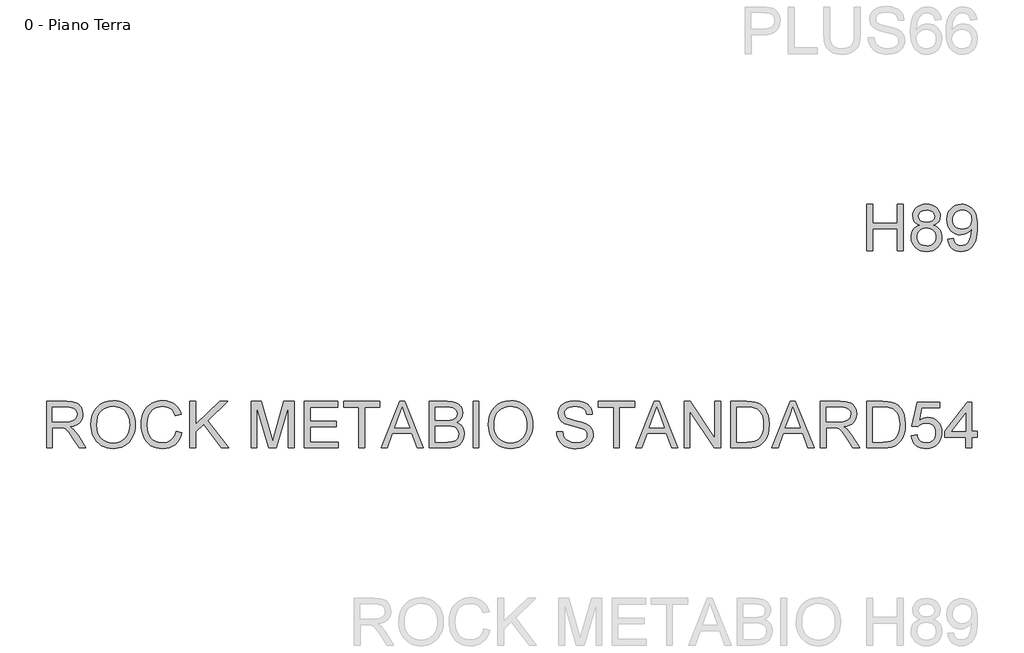
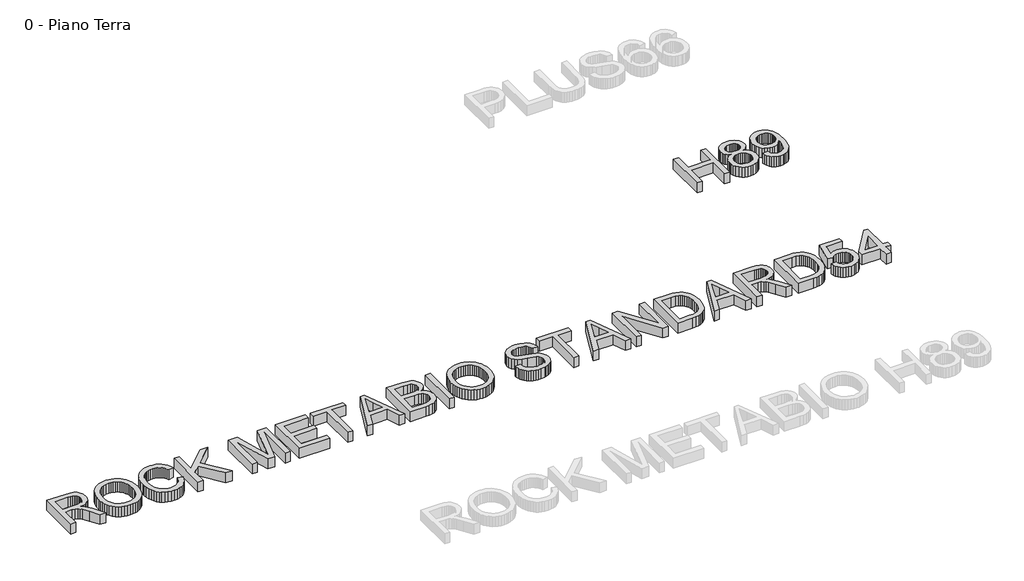
# One storey, part 9 of 17: 2 proxies.
"""IFC4 building model written with IfcOpenShell, lengths in millimetres."""

from ifc_helpers import new_model, si_unit, origin, origin_with_axes, place, context, project, spatial, polyline, outline, extrude, element, save

model = new_model("IFC4")

# Units and contexts
model_context = context("Model", 3, world=origin())
ifc_project = project(units=[si_unit("LENGTHUNIT", "METRE", prefix="MILLI")], contexts=[model_context])

# Site, building, storey
site = spatial("IfcSite", under=ifc_project)
building = spatial("IfcBuilding", under=site)
storey = spatial("IfcBuildingStorey", under=building, Name="0 - Piano Terra", Elevation=0.0)

# Proxies
placement = place(None, origin())
element("IfcBuildingElementProxy", 1, Name="Testo modello 1", ObjectType="Testo modello 1", at=placement, inside=storey, context=model_context, shape_type="SweptSolid", body=[
    extrude(outline(polyline([(-15795.0901649, -16535.9482618), (-15795.0901649, -15945.179031), (-15721.2440111, -15945.179031), (-15721.2440111, -16185.179031), (-15407.3978573, -16185.179031), (-15407.3978573, -15945.179031), (-15333.5517034, -15945.179031), (-15333.5517034, -16535.9482618), (-15407.3978573, -16535.9482618), (-15407.3978573, -16259.0251848), (-15721.2440111, -16259.0251848), (-15721.2440111, -16535.9482618), (-15795.0901649, -16535.9482618)])), origin_with_axes(), (0.0, 0.0, 1.0), 150.0),
    extrude(outline(polyline([(-15124.417088, -16210.5636464), (-15163.9543476, -16191.0924925), (-15179.3014029, -16178.7607618), (-15191.7007419, -16164.6982618), (-15208.088963, -16131.9218195), (-15213.5517034, -16093.304031), (-15210.5769438, -16063.1868435), (-15201.6526649, -16035.5756656), (-15186.7788669, -16010.4704973), (-15165.9555496, -15987.8713387), (-15140.183314, -15969.1934541), (-15110.4627611, -15955.8521079), (-15076.7938909, -15947.8473002), (-15039.1767034, -15945.179031), (-15001.3792274, -15947.9104012), (-14967.4579534, -15956.1045118), (-14937.4128813, -15969.7613627), (-14911.2440111, -15988.8809541), (-14890.042088, -16011.9218195), (-14874.8978573, -16037.3424925), (-14865.8113188, -16065.1429733), (-14862.7824726, -16095.3232618), (-14868.1730976, -16132.6970598), (-14884.3449726, -16164.9146079), (-14911.4783861, -16191.1465791), (-14949.7536265, -16210.5636464), (-14925.4822923, -16220.889668), (-14904.3029053, -16233.9831175), (-14886.2154654, -16249.8439949), (-14871.2199726, -16268.4723002), (-14859.4516433, -16289.4533699), (-14851.0456938, -16312.3725406), (-14846.0021241, -16337.2298122), (-14844.3209342, -16364.0251848), (-14847.6562707, -16400.8581175), (-14857.6622803, -16434.6261464), (-14874.338963, -16465.3292714), (-14897.6863188, -16492.9674925), (-14926.4783861, -16515.8100406), (-14959.4892034, -16532.1261464), (-14996.7187707, -16541.9158098), (-15038.167088, -16545.179031), (-15079.6154053, -16541.9022882), (-15116.8449726, -16532.0720598), (-15149.8557899, -16515.6883459), (-15178.6478573, -16492.7511464), (-15201.995213, -16464.9191151), (-15218.6718957, -16433.850906), (-15228.6779053, -16399.546519), (-15232.0132419, -16362.0059541), (-15230.2644438, -16333.9891271), (-15225.0180496, -16308.3521079), (-15216.2740592, -16285.0948964), (-15204.0324726, -16264.2174925), (-15188.5637226, -16246.0985021), (-15170.1382419, -16231.116531), (-15148.7560303, -16219.2715791), (-15124.417088, -16210.5636464)]), holes=[polyline([(-15139.7055496, -16095.4674925), (-15138.0694318, -16112.3965791), (-15133.1610784, -16127.7030695), (-15124.9804895, -16141.3869637), (-15113.5276649, -16153.4482618), (-15098.9468356, -16163.2920118), (-15081.3822323, -16170.3232618), (-15037.3017034, -16175.9482618), (-14994.2488188, -16170.3593195), (-14976.995213, -16163.3731416), (-14962.5901649, -16153.5924925), (-14951.2319919, -16141.7835983), (-14943.1190111, -16128.7126848), (-14938.2512226, -16114.3797521), (-14936.6286265, -16098.7848002), (-14938.3053092, -16082.5813747), (-14943.3353573, -16067.7210983), (-14951.7187707, -16054.2039709), (-14963.4555496, -16042.0299925), (-14978.1851169, -16031.9653892), (-14995.5468957, -16024.7763868), (-15015.5408861, -16020.4629853), (-15038.167088, -16019.0251848), (-15081.057713, -16024.6501848), (-15098.4330135, -16031.6814348), (-15113.0949726, -16041.5251848), (-15124.7371, -16053.3340791), (-15133.0529053, -16066.2607618), (-15138.0423885, -16080.3052329), (-15139.7055496, -16095.4674925)]), polyline([(-15158.167088, -16359.4098002), (-15155.0841553, -16387.6610021), (-15145.8353573, -16415.0107618), (-15128.7620399, -16438.8629252), (-15102.2055496, -16456.6213387), (-15070.4026649, -16467.6549925), (-15037.5901649, -16471.3328771), (-15010.8894438, -16469.3992834), (-14987.3257419, -16463.5985021), (-14966.8990592, -16453.9305334), (-14949.6093957, -16440.3953771), (-14935.8533861, -16423.8764469), (-14926.0276649, -16405.257156), (-14920.1322323, -16384.5375046), (-14918.167088, -16361.7174925), (-14920.1953332, -16338.5323964), (-14926.2800688, -16317.4386464), (-14936.4212948, -16298.4362425), (-14950.6190111, -16281.5251848), (-14968.3774246, -16267.6429733), (-14989.2007419, -16257.7271079), (-15013.088963, -16251.7775887), (-15040.042088, -16249.7944156), (-15066.3506818, -16251.7505454), (-15089.6033861, -16257.6189348), (-15109.800201, -16267.3995839), (-15126.9411265, -16281.0924925), (-15140.6024847, -16297.7241031), (-15150.3605976, -16316.3208579), (-15156.2154654, -16336.882757), (-15158.167088, -16359.4098002)])]), origin_with_axes(), (0.0, 0.0, 1.0), 150.0),
    extrude(outline(polyline([(-14770.4747803, -16388.2559541), (-14696.6286265, -16379.0251848), (-14684.0084342, -16420.9422521), (-14674.7235784, -16436.8842594), (-14663.4555496, -16449.4819156), (-14650.3305496, -16459.0417113), (-14635.4747803, -16465.8701368), (-14600.5709342, -16471.3328771), (-14569.2548284, -16467.8172521), (-14540.7872803, -16457.2703771), (-14517.1334342, -16440.8460983), (-14500.2584342, -16419.6982618), (-14487.4759823, -16391.897781), (-14476.0997803, -16355.5155695), (-14468.0949726, -16313.7607618), (-14465.4267034, -16269.8424925), (-14465.8593957, -16255.4194156), (-14491.4423284, -16286.6453771), (-14524.9218957, -16311.3809541), (-14563.8822323, -16327.4987425), (-14605.9074726, -16332.8713387), (-14640.9871, -16329.5900887), (-14673.245213, -16319.7463387), (-14702.6818116, -16303.3400887), (-14729.2968957, -16280.3713387), (-14751.3506818, -16252.039007), (-14767.1033861, -16219.5420118), (-14776.5550087, -16182.8803531), (-14779.7055496, -16142.054031), (-14776.4017635, -16099.866531), (-14766.4904053, -16062.0059541), (-14749.971475, -16028.4723002), (-14726.8449726, -15999.2655695), (-14698.7425087, -15975.6027089), (-14667.2956938, -15958.7006656), (-14632.5045279, -15948.5594396), (-14594.3690111, -15945.179031), (-14566.2124606, -15947.1081175), (-14539.2908861, -15952.8953771), (-14513.6042875, -15962.5408098), (-14489.1526649, -15976.0444156), (-14466.7518236, -15993.1177329), (-14447.2175688, -16013.4723002), (-14430.5499005, -16037.1081175), (-14416.7488188, -16064.0251848), (-14405.9270039, -16095.7739829), (-14398.1971361, -16133.9049925), (-14393.5592154, -16178.4182137), (-14392.0132419, -16229.3136464), (-14393.5547082, -16282.764668), (-14398.1791073, -16330.4735021), (-14405.886439, -16372.4401488), (-14416.6767034, -16408.6646079), (-14430.5093356, -16440.030293), (-14447.3437707, -16467.4206175), (-14467.1800087, -16490.8355815), (-14490.0180496, -16510.2751848), (-14515.3981577, -16525.5456175), (-14542.8605976, -16536.4530695), (-14572.4053693, -16542.9975406), (-14604.0324726, -16545.179031), (-14637.1965351, -16542.6054132), (-14667.1694919, -16534.8845598), (-14693.9513428, -16522.0164709), (-14717.542088, -16504.0011464), (-14737.3467755, -16481.3253651), (-14752.7704534, -16454.475906), (-14763.8131217, -16423.452769), (-14770.4747803, -16388.2559541)]), holes=[polyline([(-14465.8593957, -16140.3232618), (-14467.8515832, -16113.8569156), (-14473.8281457, -16090.2751848), (-14483.7890832, -16069.5780695), (-14497.7343957, -16051.7655695), (-14514.9789871, -16037.4416512), (-14534.8377611, -16027.210281), (-14557.3107178, -16021.0714589), (-14582.3978573, -16019.0251848), (-14608.2872803, -16021.2292113), (-14631.7247803, -16027.8412906), (-14652.7103573, -16038.8614228), (-14671.2440111, -16054.2896079), (-14686.3882419, -16073.2244036), (-14697.2055496, -16094.7643675), (-14703.6959342, -16118.9094997), (-14705.8593957, -16145.6598002), (-14703.8131217, -16169.6516872), (-14697.6742996, -16191.2908098), (-14687.4429294, -16210.577168), (-14673.1190111, -16227.5107618), (-14655.2974967, -16241.2983219), (-14634.573338, -16251.1465791), (-14610.9465351, -16257.0555334), (-14584.417088, -16259.0251848), (-14559.6770039, -16257.0555334), (-14537.2355976, -16251.1465791), (-14517.0928693, -16241.2983219), (-14499.2488188, -16227.5107618), (-14484.6409462, -16210.2436344), (-14474.2067515, -16189.9566752), (-14467.9462347, -16166.6498844), (-14465.8593957, -16140.3232618)])]), origin_with_axes(), (0.0, 0.0, 1.0), 150.0),
])
element("IfcBuildingElementProxy", 2, Name="Testo modello 1", ObjectType="Testo modello 1", at=placement, inside=storey, context=model_context, shape_type="SweptSolid", body=[
    extrude(outline(polyline([(-26198.167088, -19035.9482618), (-26198.167088, -18445.179031), (-25943.5997803, -18445.179031), (-25875.1803092, -18449.163406), (-25825.4026649, -18461.116531), (-25806.1929294, -18470.6177329), (-25789.0204534, -18483.1838387), (-25773.8852371, -18498.8148483), (-25760.7872803, -18517.5107618), (-25750.2178693, -18538.2664709), (-25742.6682899, -18560.0768675), (-25736.6286265, -18606.8617233), (-25739.1301289, -18637.2042714), (-25746.6346361, -18665.0588387), (-25759.1421481, -18690.4254252), (-25776.6526649, -18713.304031), (-25799.3915472, -18732.9644877), (-25827.5841553, -18748.6766271), (-25861.2304895, -18760.4404493), (-25900.3305496, -18768.2559541), (-25875.9916073, -18784.1573964), (-25858.3593957, -18799.8424925), (-25798.5036265, -18875.8521079), (-25699.9940111, -19035.9482618), (-25785.8113188, -19035.9482618), (-25862.6863188, -18913.4963387), (-25918.2151649, -18832.4386464), (-25938.8581938, -18808.8028291), (-25957.229588, -18794.1453771), (-25992.3497803, -18780.0828771), (-26035.1863188, -18777.4867233), (-26124.3209342, -18777.4867233), (-26124.3209342, -19035.9482618), (-26198.167088, -19035.9482618)]), holes=[polyline([(-26124.3209342, -18703.6405695), (-25959.0324726, -18703.6405695), (-25911.5625207, -18701.0263868), (-25874.729588, -18693.1838387), (-25847.0012226, -18679.5900887), (-25826.8449726, -18659.7223002), (-25814.5673284, -18635.6898483), (-25810.4747803, -18609.6021079), (-25812.4264029, -18590.7168916), (-25818.2812707, -18573.5804733), (-25828.0393837, -18558.1928531), (-25841.7007419, -18544.554031), (-25859.58085, -18533.3851608), (-25881.995213, -18525.4073964), (-25908.9438308, -18520.6207377), (-25940.4267034, -18519.0251848), (-26124.3209342, -18519.0251848), (-26124.3209342, -18703.6405695)])]), origin_with_axes(), (0.0, 0.0, 1.0), 150.0),
    extrude(outline(polyline([(-25635.0901649, -18748.3521079), (-25630.1682899, -18679.0582377), (-25615.4026649, -18617.7150887), (-25590.7932899, -18564.3226608), (-25556.3401649, -18518.8809541), (-25514.1075928, -18482.5979012), (-25466.1598765, -18456.6814348), (-25412.4970159, -18441.131555), (-25353.1190111, -18435.9482618), (-25313.3744198, -18438.382156), (-25275.6310303, -18445.6838387), (-25239.8888428, -18457.8533098), (-25206.1478573, -18474.8905695), (-25175.354588, -18496.2817954), (-25148.4555496, -18521.5131656), (-25125.4507419, -18550.58468), (-25106.3401649, -18583.4963387), (-25091.3221361, -18619.4999445), (-25080.5949726, -18657.8473002), (-25074.1586746, -18698.538406), (-25072.0132419, -18741.5732618), (-25074.2713548, -18785.1760262), (-25081.0456938, -18826.4170118), (-25092.3362587, -18865.2962185), (-25108.1430496, -18901.8136464), (-25128.0919678, -18935.0047521), (-25151.8089149, -18963.9049925), (-25179.2938909, -18988.5143675), (-25210.5468957, -19008.8328771), (-25244.3374606, -19024.7343195), (-25279.4351169, -19036.0924925), (-25315.8398645, -19042.9073964), (-25353.5517034, -19045.179031), (-25393.9904053, -19042.6685142), (-25432.229588, -19035.1369637), (-25468.2692515, -19022.5843796), (-25502.1093957, -19005.0107618), (-25532.8666073, -18983.0966993), (-25559.6574726, -18957.522781), (-25582.4819919, -18928.289007), (-25601.3401649, -18895.3953771), (-25616.1057899, -18860.1625046), (-25626.6526649, -18823.9110021), (-25632.9807899, -18786.6408699), (-25635.0901649, -18748.3521079)]), holes=[polyline([(-25561.2440111, -18749.0732618), (-25557.5526048, -18798.0305935), (-25546.4783861, -18841.4891271), (-25528.0213548, -18879.4488627), (-25502.1815111, -18911.9098002), (-25470.7707539, -18937.9073964), (-25435.6009823, -18956.4771079), (-25396.6721962, -18967.6189348), (-25353.9843957, -18971.3328771), (-25310.566427, -18967.5828771), (-25271.1779053, -18956.3328771), (-25235.8188308, -18937.5828771), (-25204.4892034, -18911.3328771), (-25178.8386625, -18878.1868435), (-25160.5168476, -18838.7487425), (-25149.5237587, -18793.0185743), (-25145.8593957, -18740.9963387), (-25147.4279053, -18707.2012666), (-25152.1334342, -18675.6237425), (-25159.9759823, -18646.2637666), (-25170.9555496, -18619.1213387), (-25184.9504414, -18594.5525286), (-25201.838963, -18572.913406), (-25221.6211145, -18554.2039709), (-25244.2968957, -18538.4242233), (-25269.1631818, -18525.8986824), (-25295.5168476, -18516.9518675), (-25323.3578933, -18511.5837786), (-25352.6863188, -18509.7944156), (-25393.8912467, -18513.2424324), (-25432.1214149, -18523.5864829), (-25467.3768236, -18540.8265671), (-25499.6574726, -18564.9626848), (-25526.6015832, -18597.1576969), (-25545.8473765, -18638.5744637), (-25557.3948524, -18689.2129853), (-25561.2440111, -18749.0732618)])]), origin_with_axes(), (0.0, 0.0, 1.0), 150.0),
    extrude(outline(polyline([(-24555.0901649, -18825.9482618), (-24481.2440111, -18844.9867233), (-24495.8563909, -18890.9107017), (-24515.3185303, -18931.038406), (-24539.6304294, -18965.3698363), (-24568.792088, -18993.9049925), (-24602.1454534, -19016.3373844), (-24639.0324726, -19032.3605214), (-24679.4531457, -19041.9744036), (-24723.4074726, -19045.179031), (-24768.4390231, -19042.7541512), (-24809.0625207, -19035.4795118), (-24845.2779654, -19023.3551127), (-24877.0853573, -19006.3809541), (-24904.9218957, -18984.8094396), (-24929.2247803, -18958.8929733), (-24949.9940111, -18928.631555), (-24967.229588, -18894.0251848), (-24980.7647443, -18856.570257), (-24990.432713, -18817.7631656), (-24996.2334943, -18777.6039108), (-24998.167088, -18736.0924925), (-24995.9810904, -18691.5522281), (-24989.4230976, -18649.9506656), (-24978.4931097, -18611.287805), (-24963.1911265, -18575.5636464), (-24943.8596962, -18543.3686344), (-24920.8413669, -18515.2932137), (-24894.1361385, -18491.3373844), (-24863.7440111, -18471.5011464), (-24830.6971361, -18455.9467594), (-24796.0276649, -18444.8364829), (-24759.7355976, -18438.1703171), (-24721.8209342, -18435.9482618), (-24679.5838548, -18438.8238627), (-24640.8533861, -18447.4506656), (-24605.6295279, -18461.8286704), (-24573.9122803, -18481.9578771), (-24546.2244798, -18507.3064348), (-24523.088963, -18537.3424925), (-24504.5057298, -18572.0660502), (-24490.4747803, -18611.4771079), (-24564.3209342, -18629.0732618), (-24575.9495399, -18600.0332978), (-24589.9218957, -18575.2210983), (-24606.2380015, -18554.6366632), (-24624.8978573, -18538.2799925), (-24646.0096361, -18525.8175526), (-24669.6815111, -18516.9158098), (-24695.9134823, -18511.5747642), (-24724.7055496, -18509.7944156), (-24757.8335544, -18511.7685743), (-24788.1310303, -18517.6910502), (-24815.5979774, -18527.5618435), (-24840.2343957, -18541.3809541), (-24861.7292875, -18558.5263868), (-24879.7716553, -18578.3761464), (-24894.3614991, -18600.9302329), (-24905.4988188, -18626.1886464), (-24919.6154053, -18680.2391271), (-24924.3209342, -18735.9482618), (-24918.7500207, -18804.1694156), (-24911.7863789, -18834.8184541), (-24902.0372803, -18863.1598002), (-24889.3449726, -18888.6300526), (-24873.5517034, -18910.6658098), (-24854.6574726, -18929.2670719), (-24832.6622803, -18944.4338387), (-24808.6343356, -18956.202168), (-24783.6418476, -18964.6081175), (-24757.6848164, -18969.6516872), (-24730.7632419, -18971.3328771), (-24698.6583741, -18969.0432137), (-24669.1226169, -18962.1742233), (-24642.1559702, -18950.725906), (-24617.7584342, -18934.6982618), (-24596.5069318, -18914.163406), (-24578.9783861, -18889.1934541), (-24565.1727972, -18859.788406), (-24555.0901649, -18825.9482618)])), origin_with_axes(), (0.0, 0.0, 1.0), 150.0),
    extrude(outline(polyline([(-24379.7055496, -19035.9482618), (-24379.7055496, -18445.179031), (-24305.8593957, -18445.179031), (-24305.8593957, -18734.3617233), (-24002.9747803, -18445.179031), (-23899.7055496, -18445.179031), (-24153.9843957, -18688.0636464), (-23890.4747803, -19035.9482618), (-23980.7632419, -19035.9482618), (-24206.3401649, -18737.9674925), (-24305.8593957, -18832.8713387), (-24305.8593957, -19035.9482618), (-24379.7055496, -19035.9482618)])), origin_with_axes(), (0.0, 0.0, 1.0), 150.0),
    extrude(outline(polyline([(-23604.3209342, -19035.9482618), (-23604.3209342, -18445.179031), (-23477.2536265, -18445.179031), (-23356.3882419, -18861.5732618), (-23332.0132419, -18948.5444156), (-23305.6190111, -18854.3617233), (-23186.7728573, -18445.179031), (-23059.7055496, -18445.179031), (-23059.7055496, -19035.9482618), (-23133.5517034, -19035.9482618), (-23133.5517034, -18519.0251848), (-23281.9651649, -19035.9482618), (-23382.0613188, -19035.9482618), (-23530.4747803, -18519.0251848), (-23530.4747803, -19035.9482618), (-23604.3209342, -19035.9482618)])), origin_with_axes(), (0.0, 0.0, 1.0), 150.0),
    extrude(outline(polyline([(-22930.4747803, -19035.9482618), (-22930.4747803, -18445.179031), (-22505.8593957, -18445.179031), (-22505.8593957, -18519.0251848), (-22856.6286265, -18519.0251848), (-22856.6286265, -18694.4098002), (-22524.3209342, -18694.4098002), (-22524.3209342, -18768.2559541), (-22856.6286265, -18768.2559541), (-22856.6286265, -18962.1021079), (-22496.6286265, -18962.1021079), (-22496.6286265, -19035.9482618), (-22930.4747803, -19035.9482618)])), origin_with_axes(), (0.0, 0.0, 1.0), 150.0),
    extrude(outline(polyline([(-22238.167088, -19035.9482618), (-22238.167088, -18519.0251848), (-22432.0132419, -18519.0251848), (-22432.0132419, -18445.179031), (-21970.4747803, -18445.179031), (-21970.4747803, -18519.0251848), (-22164.3209342, -18519.0251848), (-22164.3209342, -19035.9482618), (-22238.167088, -19035.9482618)])), origin_with_axes(), (0.0, 0.0, 1.0), 150.0),
    extrude(outline(polyline([(-21956.1959342, -19035.9482618), (-21720.3786265, -18445.179031), (-21657.4940111, -18445.179031), (-21421.6767034, -19035.9482618), (-21499.7055496, -19035.9482618), (-21567.3497803, -18851.3328771), (-21810.667088, -18851.3328771), (-21878.167088, -19035.9482618), (-21956.1959342, -19035.9482618)]), holes=[polyline([(-21783.5517034, -18777.4867233), (-21594.3209342, -18777.4867233), (-21647.542088, -18632.2463387), (-21688.9363188, -18519.0251848), (-21725.7151649, -18619.554031), (-21783.5517034, -18777.4867233)])]), origin_with_axes(), (0.0, 0.0, 1.0), 150.0),
    extrude(outline(polyline([(-21342.7824726, -19035.9482618), (-21342.7824726, -18445.179031), (-21117.3497803, -18445.179031), (-21055.3485784, -18449.5239829), (-21006.9411265, -18462.5588387), (-20969.8377611, -18484.6081175), (-20954.6664871, -18499.1348603), (-20941.7488188, -18515.9963387), (-20924.0625207, -18552.9194156), (-20918.167088, -18591.5732618), (-20923.1250207, -18627.1441752), (-20937.9988188, -18660.5876848), (-20962.8966553, -18689.8485021), (-20997.9267034, -18712.8713387), (-20975.6385423, -18722.3725406), (-20956.0817515, -18734.7223002), (-20939.2563308, -18749.9206175), (-20925.1622803, -18767.9674925), (-20914.0249606, -18788.3130454), (-20906.0697323, -18810.4073964), (-20901.2965952, -18834.2505454), (-20899.7055496, -18859.8424925), (-20904.0505015, -18901.038406), (-20917.0853573, -18939.241531), (-20936.5384823, -18971.7295118), (-20960.1382419, -18995.7799925), (-20989.0384823, -19013.1958579), (-21024.3930496, -19025.7799925), (-21067.3557899, -19033.4061945), (-21119.0805496, -19035.9482618), (-21342.7824726, -19035.9482618)]), holes=[polyline([(-21268.9363188, -18962.1021079), (-21117.4940111, -18962.1021079), (-21062.6863188, -18959.2174925), (-21037.2476169, -18952.8172521), (-21016.3161265, -18943.1357618), (-20999.2968957, -18929.2715791), (-20985.5949726, -18910.3232618), (-20976.5625207, -18887.1381656), (-20973.5517034, -18860.5636464), (-20977.0853573, -18829.6982618), (-20987.6863188, -18803.1598002), (-21006.2019438, -18782.4085983), (-21033.479588, -18768.9049925), (-21072.1154053, -18761.4951368), (-21124.7055496, -18759.0251848), (-21268.9363188, -18759.0251848), (-21268.9363188, -18962.1021079)]), polyline([(-21268.9363188, -18685.179031), (-21134.0805496, -18685.179031), (-21086.917088, -18683.5924925), (-21055.3305496, -18678.8328771), (-21027.7644438, -18667.8893675), (-21007.9507419, -18651.5011464), (-20995.9976169, -18629.9206175), (-20992.0132419, -18603.4001848), (-20995.7271842, -18577.6549925), (-21006.8690111, -18555.2271079), (-21024.9339149, -18537.7210983), (-21049.417088, -18526.741531), (-21086.9892034, -18520.9542714), (-21144.3209342, -18519.0251848), (-21268.9363188, -18519.0251848), (-21268.9363188, -18685.179031)])]), origin_with_axes(), (0.0, 0.0, 1.0), 150.0),
    extrude(outline(polyline([(-20788.9363188, -19035.9482618), (-20788.9363188, -18445.179031), (-20715.0901649, -18445.179031), (-20715.0901649, -19035.9482618), (-20788.9363188, -19035.9482618)])), origin_with_axes(), (0.0, 0.0, 1.0), 150.0),
    extrude(outline(polyline([(-20595.0901649, -18748.3521079), (-20590.1682899, -18679.0582377), (-20575.4026649, -18617.7150887), (-20550.7932899, -18564.3226608), (-20516.3401649, -18518.8809541), (-20474.1075928, -18482.5979012), (-20426.1598765, -18456.6814348), (-20372.4970159, -18441.131555), (-20313.1190111, -18435.9482618), (-20273.3744198, -18438.382156), (-20235.6310303, -18445.6838387), (-20199.8888428, -18457.8533098), (-20166.1478573, -18474.8905695), (-20135.354588, -18496.2817954), (-20108.4555496, -18521.5131656), (-20085.4507419, -18550.58468), (-20066.3401649, -18583.4963387), (-20051.3221361, -18619.4999445), (-20040.5949726, -18657.8473002), (-20034.1586746, -18698.538406), (-20032.0132419, -18741.5732618), (-20034.2713548, -18785.1760262), (-20041.0456938, -18826.4170118), (-20052.3362587, -18865.2962185), (-20068.1430496, -18901.8136464), (-20088.0919678, -18935.0047521), (-20111.8089149, -18963.9049925), (-20139.2938909, -18988.5143675), (-20170.5468957, -19008.8328771), (-20204.3374606, -19024.7343195), (-20239.4351169, -19036.0924925), (-20275.8398645, -19042.9073964), (-20313.5517034, -19045.179031), (-20353.9904053, -19042.6685142), (-20392.229588, -19035.1369637), (-20428.2692515, -19022.5843796), (-20462.1093957, -19005.0107618), (-20492.8666073, -18983.0966993), (-20519.6574726, -18957.522781), (-20542.4819919, -18928.289007), (-20561.3401649, -18895.3953771), (-20576.1057899, -18860.1625046), (-20586.6526649, -18823.9110021), (-20592.9807899, -18786.6408699), (-20595.0901649, -18748.3521079)]), holes=[polyline([(-20521.2440111, -18749.0732618), (-20517.5526048, -18798.0305935), (-20506.4783861, -18841.4891271), (-20488.0213548, -18879.4488627), (-20462.1815111, -18911.9098002), (-20430.7707539, -18937.9073964), (-20395.6009823, -18956.4771079), (-20356.6721962, -18967.6189348), (-20313.9843957, -18971.3328771), (-20270.566427, -18967.5828771), (-20231.1779053, -18956.3328771), (-20195.8188308, -18937.5828771), (-20164.4892034, -18911.3328771), (-20138.8386625, -18878.1868435), (-20120.5168476, -18838.7487425), (-20109.5237587, -18793.0185743), (-20105.8593957, -18740.9963387), (-20107.4279053, -18707.2012666), (-20112.1334342, -18675.6237425), (-20119.9759823, -18646.2637666), (-20130.9555496, -18619.1213387), (-20144.9504414, -18594.5525286), (-20161.838963, -18572.913406), (-20181.6211145, -18554.2039709), (-20204.2968957, -18538.4242233), (-20229.1631818, -18525.8986824), (-20255.5168476, -18516.9518675), (-20283.3578933, -18511.5837786), (-20312.6863188, -18509.7944156), (-20353.8912467, -18513.2424324), (-20392.1214149, -18523.5864829), (-20427.3768236, -18540.8265671), (-20459.6574726, -18564.9626848), (-20486.6015832, -18597.1576969), (-20505.8473765, -18638.5744637), (-20517.3948524, -18689.2129853), (-20521.2440111, -18749.0732618)])]), origin_with_axes(), (0.0, 0.0, 1.0), 150.0),
    extrude(outline(polyline([(-19727.3978573, -18832.8713387), (-19653.5517034, -18832.8713387), (-19645.0781457, -18873.850906), (-19629.7536265, -18906.7896079), (-19605.8473765, -18932.9314348), (-19571.6286265, -18953.5203771), (-19529.8017034, -18966.8797521), (-19483.0709342, -18971.3328771), (-19441.9291073, -18967.9614829), (-19405.9074726, -18957.8473002), (-19376.7187707, -18941.8376848), (-19356.0757419, -18920.7799925), (-19343.7980976, -18896.6033098), (-19339.7055496, -18871.2367233), (-19342.7704534, -18846.5191752), (-19351.9651649, -18825.1549925), (-19370.6430496, -18806.9278291), (-19402.1574726, -18791.6213387), (-19509.6815111, -18763.4242233), (-19580.2644438, -18744.7643675), (-19625.4267034, -18727.0059541), (-19662.1875207, -18702.1622041), (-19688.2392034, -18672.054031), (-19703.7620399, -18637.3304733), (-19708.9363188, -18598.6405695), (-19707.3362587, -18576.6498844), (-19702.5360784, -18555.3893675), (-19694.5357779, -18534.859019), (-19683.3353573, -18515.0588387), (-19669.0610183, -18496.7956175), (-19651.838963, -18480.8761464), (-19631.6691914, -18467.3004252), (-19608.5517034, -18456.0684541), (-19556.5925688, -18440.9783098), (-19499.0805496, -18435.9482618), (-19436.7728573, -18441.2126848), (-19382.2536265, -18457.0059541), (-19358.401463, -18468.7697762), (-19337.4699726, -18483.0035502), (-19319.4591553, -18499.7072762), (-19304.3690111, -18518.8809541), (-19292.3167274, -18539.9656896), (-19283.4194919, -18562.4025887), (-19277.6773044, -18586.1916512), (-19275.0901649, -18611.3328771), (-19348.9363188, -18611.3328771), (-19353.8762226, -18587.7691752), (-19362.4940111, -18567.2703771), (-19374.7896842, -18549.8364829), (-19390.7632419, -18535.4674925), (-19410.7121601, -18524.2355214), (-19434.9339149, -18516.2126848), (-19463.4285063, -18511.3989829), (-19496.1959342, -18509.7944156), (-19530.0090351, -18511.3809541), (-19558.9002611, -18516.1405695), (-19582.8696121, -18524.0732618), (-19601.917088, -18535.179031), (-19616.4303092, -18548.5293916), (-19626.7968957, -18563.1958579), (-19633.0168476, -18579.17843), (-19635.0901649, -18596.4771079), (-19629.2127611, -18624.8545118), (-19611.5805496, -18647.679031), (-19595.3906457, -18657.8292714), (-19569.8978573, -18668.0876848), (-19491.0036265, -18688.929031), (-19409.5853573, -18708.7247041), (-19360.3305496, -18725.9963387), (-19318.2331938, -18752.7872041), (-19301.9576529, -18768.5354012), (-19288.8642034, -18785.8521079), (-19278.7996, -18804.64718), (-19271.6105976, -18824.8304733), (-19265.8593957, -18869.3617233), (-19267.5135423, -18892.4611824), (-19272.4759823, -18914.8845598), (-19280.7467154, -18936.6318555), (-19292.3257419, -18957.7030695), (-19307.0102371, -18977.2823964), (-19324.5973765, -18994.554031), (-19345.0871601, -19009.5179733), (-19368.479588, -19022.1742233), (-19394.0940712, -19032.2388267), (-19421.2500207, -19039.4278291), (-19480.1863188, -19045.179031), (-19517.9612587, -19043.6285502), (-19552.5360784, -19038.9771079), (-19583.9107779, -19031.2247041), (-19612.0853573, -19020.3713387), (-19637.2310904, -19006.3989829), (-19659.5192515, -18989.2896079), (-19678.9498404, -18969.0432137), (-19695.5228573, -18945.6598002), (-19708.8732178, -18919.8965791), (-19718.635838, -18892.5107618), (-19724.8107178, -18863.5023483), (-19727.3978573, -18832.8713387)])), origin_with_axes(), (0.0, 0.0, 1.0), 150.0),
    extrude(outline(polyline([(-19007.3978573, -19035.9482618), (-19007.3978573, -18519.0251848), (-19201.2440111, -18519.0251848), (-19201.2440111, -18445.179031), (-18739.7055496, -18445.179031), (-18739.7055496, -18519.0251848), (-18933.5517034, -18519.0251848), (-18933.5517034, -19035.9482618), (-19007.3978573, -19035.9482618)])), origin_with_axes(), (0.0, 0.0, 1.0), 150.0),
    extrude(outline(polyline([(-18725.4267034, -19035.9482618), (-18489.6093957, -18445.179031), (-18426.7247803, -18445.179031), (-18190.9074726, -19035.9482618), (-18268.9363188, -19035.9482618), (-18336.5805496, -18851.3328771), (-18579.8978573, -18851.3328771), (-18647.3978573, -19035.9482618), (-18725.4267034, -19035.9482618)]), holes=[polyline([(-18552.7824726, -18777.4867233), (-18363.5517034, -18777.4867233), (-18416.7728573, -18632.2463387), (-18458.167088, -18519.0251848), (-18494.9459342, -18619.554031), (-18552.7824726, -18777.4867233)])]), origin_with_axes(), (0.0, 0.0, 1.0), 150.0),
    extrude(outline(polyline([(-18112.0132419, -19035.9482618), (-18112.0132419, -18445.179031), (-18032.9747803, -18445.179031), (-17724.3209342, -18913.2078771), (-17724.3209342, -18445.179031), (-17650.4747803, -18445.179031), (-17650.4747803, -19035.9482618), (-17729.5132419, -19035.9482618), (-18038.167088, -18567.7751848), (-18038.167088, -19035.9482618), (-18112.0132419, -19035.9482618)])), origin_with_axes(), (0.0, 0.0, 1.0), 150.0),
    extrude(outline(polyline([(-17521.2440111, -19035.9482618), (-17521.2440111, -18445.179031), (-17317.4459342, -18445.179031), (-17256.5444919, -18447.3064348), (-17212.0132419, -18453.6886464), (-17164.9218957, -18470.0948964), (-17125.1863188, -18495.9482618), (-17103.2902851, -18517.0780695), (-17084.3329534, -18540.9482618), (-17068.3143236, -18567.5588387), (-17055.2343957, -18596.9098002), (-17045.0751409, -18628.7307137), (-17037.8185303, -18662.7511464), (-17032.0132419, -18737.3905695), (-17035.9435303, -18800.7980214), (-17047.7343957, -18856.5973002), (-17065.6911265, -18904.1033098), (-17088.1190111, -18942.6309541), (-17113.9363188, -18973.0456175), (-17142.0613188, -18996.2126848), (-17174.3509823, -19013.3941752), (-17212.6622803, -19025.8521079), (-17257.0673284, -19033.4242233), (-17307.6382419, -19035.9482618), (-17521.2440111, -19035.9482618)]), holes=[polyline([(-17447.3978573, -18962.1021079), (-17316.7247803, -18962.1021079), (-17262.6742996, -18959.4338387), (-17221.6767034, -18951.429031), (-17190.7392034, -18938.5564348), (-17166.8690111, -18921.2848002), (-17141.213963, -18889.319656), (-17121.9411265, -18847.9434541), (-17109.8798284, -18796.975906), (-17105.8593957, -18736.2367233), (-17107.8290472, -18693.3641271), (-17113.7380015, -18655.7559541), (-17123.5862587, -18623.4122041), (-17137.3738188, -18596.3328771), (-17153.9828933, -18573.9049925), (-17172.2956938, -18555.5155695), (-17192.3122202, -18541.1646079), (-17214.0324726, -18530.8521079), (-17256.5084342, -18521.9819156), (-17318.7440111, -18519.0251848), (-17447.3978573, -18519.0251848), (-17447.3978573, -18962.1021079)])]), origin_with_axes(), (0.0, 0.0, 1.0), 150.0),
    extrude(outline(polyline([(-16999.2728573, -19035.9482618), (-16763.4555496, -18445.179031), (-16700.5709342, -18445.179031), (-16464.7536265, -19035.9482618), (-16542.7824726, -19035.9482618), (-16610.4267034, -18851.3328771), (-16853.7440111, -18851.3328771), (-16921.2440111, -19035.9482618), (-16999.2728573, -19035.9482618)]), holes=[polyline([(-16826.6286265, -18777.4867233), (-16637.3978573, -18777.4867233), (-16690.6190111, -18632.2463387), (-16732.0132419, -18519.0251848), (-16768.792088, -18619.554031), (-16826.6286265, -18777.4867233)])]), origin_with_axes(), (0.0, 0.0, 1.0), 150.0),
    extrude(outline(polyline([(-16385.8593957, -19035.9482618), (-16385.8593957, -18445.179031), (-16131.292088, -18445.179031), (-16062.8726169, -18449.163406), (-16013.0949726, -18461.116531), (-15993.8852371, -18470.6177329), (-15976.7127611, -18483.1838387), (-15961.5775448, -18498.8148483), (-15948.479588, -18517.5107618), (-15937.910177, -18538.2664709), (-15930.3605976, -18560.0768675), (-15924.3209342, -18606.8617233), (-15926.8224366, -18637.2042714), (-15934.3269438, -18665.0588387), (-15946.8344558, -18690.4254252), (-15964.3449726, -18713.304031), (-15987.0838548, -18732.9644877), (-16015.276463, -18748.6766271), (-16048.9227972, -18760.4404493), (-16088.0228573, -18768.2559541), (-16063.6839149, -18784.1573964), (-16046.0517034, -18799.8424925), (-15986.1959342, -18875.8521079), (-15887.6863188, -19035.9482618), (-15973.5036265, -19035.9482618), (-16050.3786265, -18913.4963387), (-16105.9074726, -18832.4386464), (-16126.5505015, -18808.8028291), (-16144.9218957, -18794.1453771), (-16180.042088, -18780.0828771), (-16222.8786265, -18777.4867233), (-16312.0132419, -18777.4867233), (-16312.0132419, -19035.9482618), (-16385.8593957, -19035.9482618)]), holes=[polyline([(-16312.0132419, -18703.6405695), (-16146.7247803, -18703.6405695), (-16099.2548284, -18701.0263868), (-16062.4218957, -18693.1838387), (-16034.6935303, -18679.5900887), (-16014.5372803, -18659.7223002), (-16002.2596361, -18635.6898483), (-15998.167088, -18609.6021079), (-16000.1187106, -18590.7168916), (-16005.9735784, -18573.5804733), (-16015.7316914, -18558.1928531), (-16029.3930496, -18544.554031), (-16047.2731577, -18533.3851608), (-16069.6875207, -18525.4073964), (-16096.6361385, -18520.6207377), (-16128.1190111, -18519.0251848), (-16312.0132419, -18519.0251848), (-16312.0132419, -18703.6405695)])]), origin_with_axes(), (0.0, 0.0, 1.0), 150.0),
    extrude(outline(polyline([(-15795.0901649, -19035.9482618), (-15795.0901649, -18445.179031), (-15591.292088, -18445.179031), (-15530.3906457, -18447.3064348), (-15485.8593957, -18453.6886464), (-15438.7680496, -18470.0948964), (-15399.0324726, -18495.9482618), (-15377.136439, -18517.0780695), (-15358.1791073, -18540.9482618), (-15342.1604774, -18567.5588387), (-15329.0805496, -18596.9098002), (-15318.9212948, -18628.7307137), (-15311.6646842, -18662.7511464), (-15305.8593957, -18737.3905695), (-15309.7896842, -18800.7980214), (-15321.5805496, -18856.5973002), (-15339.5372803, -18904.1033098), (-15361.9651649, -18942.6309541), (-15387.7824726, -18973.0456175), (-15415.9074726, -18996.2126848), (-15448.1971361, -19013.3941752), (-15486.5084342, -19025.8521079), (-15530.9134823, -19033.4242233), (-15581.4843957, -19035.9482618), (-15795.0901649, -19035.9482618)]), holes=[polyline([(-15721.2440111, -18962.1021079), (-15590.5709342, -18962.1021079), (-15536.5204534, -18959.4338387), (-15495.5228573, -18951.429031), (-15464.5853573, -18938.5564348), (-15440.7151649, -18921.2848002), (-15415.0601169, -18889.319656), (-15395.7872803, -18847.9434541), (-15383.7259823, -18796.975906), (-15379.7055496, -18736.2367233), (-15381.675201, -18693.3641271), (-15387.5841553, -18655.7559541), (-15397.4324125, -18623.4122041), (-15411.2199726, -18596.3328771), (-15427.8290472, -18573.9049925), (-15446.1418476, -18555.5155695), (-15466.1583741, -18541.1646079), (-15487.8786265, -18530.8521079), (-15530.354588, -18521.9819156), (-15592.5901649, -18519.0251848), (-15721.2440111, -18519.0251848), (-15721.2440111, -18962.1021079)])]), origin_with_axes(), (0.0, 0.0, 1.0), 150.0),
    extrude(outline(polyline([(-15232.0132419, -18879.0251848), (-15158.167088, -18869.7944156), (-15152.6502611, -18893.5338988), (-15144.6093957, -18914.1273483), (-15134.0444919, -18931.5747642), (-15120.9555496, -18945.8761464), (-15105.3696121, -18957.0134661), (-15087.3137226, -18964.9686945), (-15066.7878813, -18969.7418315), (-15043.792088, -18971.3328771), (-15015.667088, -18969.1198363), (-14990.8593957, -18962.4807137), (-14969.3690111, -18951.4155094), (-14951.1959342, -18935.9242233), (-14936.745814, -18916.7730815), (-14926.4242996, -18894.7283098), (-14920.2313909, -18869.7899084), (-14918.167088, -18841.9578771), (-14920.1006818, -18815.6537906), (-14925.901463, -18792.2703771), (-14935.5694318, -18771.8076368), (-14949.104588, -18754.2655695), (-14966.5520039, -18740.194055), (-14987.9567515, -18730.1429733), (-15013.3188308, -18724.1123243), (-15042.6382419, -18722.1021079), (-15078.4615592, -18725.3112425), (-15107.4699726, -18734.9386464), (-15130.6370399, -18749.6862425), (-15148.9363188, -18768.2559541), (-15222.7824726, -18759.0251848), (-15158.167088, -18454.4098002), (-14872.0132419, -18454.4098002), (-14872.0132419, -18528.2559541), (-15098.4555496, -18528.2559541), (-15130.042088, -18690.9482618), (-15103.9813909, -18672.2703771), (-15077.2896842, -18658.929031), (-15049.9669678, -18650.9242233), (-15022.0132419, -18648.2559541), (-14986.050201, -18651.5642473), (-14953.0168476, -18661.4891271), (-14922.9131818, -18678.0305935), (-14895.7392034, -18701.1886464), (-14873.2437106, -18729.5480214), (-14857.1755015, -18761.6934541), (-14847.534576, -18797.6249445), (-14844.3209342, -18837.3424925), (-14847.214564, -18875.5997041), (-14855.8954534, -18911.1886464), (-14870.3636024, -18944.1093195), (-14890.6190111, -18974.3617233), (-14921.3041073, -19005.3442954), (-14957.1093957, -19027.4747041), (-14998.0348765, -19040.7529493), (-15044.0805496, -19045.179031), (-15082.1890231, -19042.3349805), (-15116.6105976, -19033.8028291), (-15147.3452731, -19019.5825767), (-15174.3930496, -18999.6742233), (-15196.8975568, -18975.0693555), (-15214.0024246, -18946.7595598), (-15225.7076529, -18914.7448363), (-15232.0132419, -18879.0251848)])), origin_with_axes(), (0.0, 0.0, 1.0), 150.0),
    extrude(outline(polyline([(-14539.7055496, -19035.9482618), (-14539.7055496, -18897.4867233), (-14807.3978573, -18897.4867233), (-14807.3978573, -18823.6405695), (-14521.2440111, -18454.4098002), (-14465.8593957, -18454.4098002), (-14465.8593957, -18823.6405695), (-14392.0132419, -18823.6405695), (-14392.0132419, -18897.4867233), (-14465.8593957, -18897.4867233), (-14465.8593957, -19035.9482618), (-14539.7055496, -19035.9482618)]), holes=[polyline([(-14539.7055496, -18823.6405695), (-14539.7055496, -18595.4674925), (-14716.5324726, -18823.6405695), (-14539.7055496, -18823.6405695)])]), origin_with_axes(), (0.0, 0.0, 1.0), 150.0),
])

save(model, "model.ifc")
